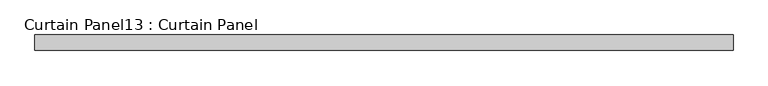
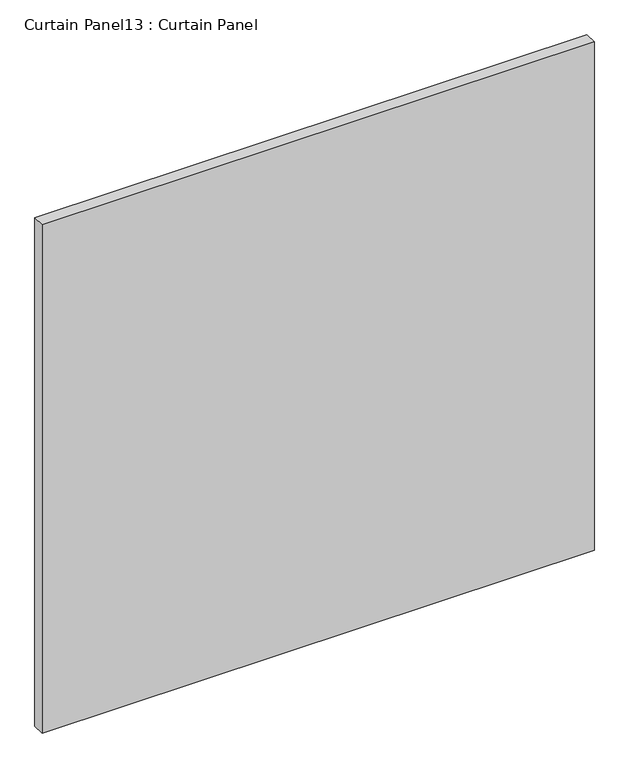
"""IFC4 building model written with IfcOpenShell, lengths in millimetres: plate geometry, Curtain Panel13 : Curtain Panel."""

import ifcopenshell
import ifcopenshell.guid

model = None  # the IFC model being written
_history = None  # IfcOwnerHistory: only IFC2X3 demands one
_inside = {}  # id of a spatial element -> (the spatial element, [elements in it])
_under = {}  # id of a project, library or spatial element -> (it, [spatial elements below it])
_declared = {}  # id of a project -> (the project, [libraries it declares])
_typed = {}  # id of a type object -> (the type object, [elements of that type])
_made_of = {}  # id of a material, layer set ... -> (it, [elements and type objects made of it])


def new_model(schema):
    """Start an empty IFC model of exactly this schema.

    Asked for "IFC4X3", IfcOpenShell would pick the latest addendum, in which some entities
    have other attributes; the version numbers below select the first issue.
    IFC2X3 requires an IfcOwnerHistory on every rooted entity: one is made here for all.
    """
    global model, _history
    if schema == "IFC4X3":
        model = ifcopenshell.file(schema_version=(4, 3, 0, 0))
    else:
        model = ifcopenshell.file(schema=schema)
    _inside.clear()
    _under.clear()
    _declared.clear()
    _typed.clear()
    _made_of.clear()
    _history = None
    if model.schema == "IFC2X3":
        org = make("IfcOrganization", Name="unknown")
        user = make(
            "IfcPersonAndOrganization",
            ThePerson=make("IfcPerson", FamilyName="unknown"),
            TheOrganization=org,
        )
        app = make(
            "IfcApplication",
            ApplicationDeveloper=org,
            Version="unknown",
            ApplicationFullName="unknown",
            ApplicationIdentifier="unknown",
        )
        _history = make(
            "IfcOwnerHistory",
            OwningUser=user,
            OwningApplication=app,
            ChangeAction="ADDED",
            CreationDate=0,
        )
    return model


def make(cls, **values):
    """One entity of the class cls with the attributes given. An attribute that is None is left unset."""
    return model.create_entity(
        cls, **{name: value for name, value in values.items() if value is not None}
    )


def rooted(cls, **values):
    """An entity with a GlobalId (a new one), such as an element, a storey or a relation."""
    return make(cls, GlobalId=ifcopenshell.guid.new(), OwnerHistory=_history, **values)


def si_unit(unit_type, name, prefix=None):
    """IfcSIUnit, for example si_unit("LENGTHUNIT", "METRE", prefix="MILLI")."""
    return make("IfcSIUnit", UnitType=unit_type, Prefix=prefix, Name=name)


def assignment(units):
    """IfcUnitAssignment: the units of a project."""
    return None if units is None else make("IfcUnitAssignment", Units=units)


def point(xyz):
    """IfcCartesianPoint."""
    return None if xyz is None else make("IfcCartesianPoint", Coordinates=xyz)


def direction(xyz):
    """IfcDirection."""
    return None if xyz is None else make("IfcDirection", DirectionRatios=xyz)


def frame(location, z_axis=None, x_axis=None):
    """IfcAxis2Placement3D, a coordinate frame: its origin and axes. An axis left out is left unset."""
    return make(
        "IfcAxis2Placement3D",
        Location=point(location),
        Axis=direction(z_axis),
        RefDirection=direction(x_axis),
    )


def origin():
    """The frame at (0, 0, 0) with its axes left unset."""
    return frame((0.0, 0.0, 0.0))


def place(relative_to, where):
    """IfcLocalPlacement: puts the frame where relative to a parent placement (None: the world)."""
    return make(
        "IfcLocalPlacement", PlacementRelTo=relative_to, RelativePlacement=where
    )


def context(
    kind, dimensions, precision=None, world=None, true_north=None, identifier=None
):
    """IfcGeometricRepresentationContext, for example the 3D "Model" context."""
    return make(
        "IfcGeometricRepresentationContext",
        ContextIdentifier=identifier,
        ContextType=kind,
        CoordinateSpaceDimension=dimensions,
        Precision=precision,
        WorldCoordinateSystem=world,
        TrueNorth=true_north,
    )


def project(units=None, contexts=None):
    """IfcProject with its units and contexts."""
    return rooted(
        "IfcProject",
        Name="project",
        RepresentationContexts=contexts,
        UnitsInContext=assignment(units),
    )


def spatial(cls, under=None, at=None, **own):
    """A site, building, storey or space (cls), placed at a placement, below another one or the project."""
    s = rooted(cls, ObjectPlacement=at, **own)
    if under is not None:
        _under.setdefault(under.id(), (under, []))[1].append(s)
    return s


def polyline(points):
    """IfcPolyline through the points."""
    return make("IfcPolyline", Points=[point(p) for p in points])


def outline(outer, holes=None, kind="AREA"):
    """IfcArbitraryClosedProfileDef: a profile drawn as a closed curve; with holes, ...WithVoids."""
    if holes is None:
        return make("IfcArbitraryClosedProfileDef", ProfileType=kind, OuterCurve=outer)
    return make(
        "IfcArbitraryProfileDefWithVoids",
        ProfileType=kind,
        OuterCurve=outer,
        InnerCurves=holes,
    )


def extrude(swept, where, along, depth):
    """IfcExtrudedAreaSolid: the profile swept, set in the frame where, extruded along a direction by depth."""
    return make(
        "IfcExtrudedAreaSolid",
        SweptArea=swept,
        Position=where,
        ExtrudedDirection=direction(along),
        Depth=depth,
    )


def shape(context_of_items, identifier, shape_type, items):
    """IfcShapeRepresentation: the items that make up one representation, for example the "Body"."""
    return make(
        "IfcShapeRepresentation",
        ContextOfItems=context_of_items,
        RepresentationIdentifier=identifier,
        RepresentationType=shape_type,
        Items=items,
    )


def source(mapping_origin, context_of_items, identifier, shape_type, items):
    """IfcRepresentationMap: a shape defined once, which mapped items show again and again."""
    return make(
        "IfcRepresentationMap",
        MappingOrigin=mapping_origin,
        MappedRepresentation=shape(context_of_items, identifier, shape_type, items),
    )


def transform(
    local_origin,
    x_axis=None,
    y_axis=None,
    z_axis=None,
    scale=None,
    scale2=None,
    scale3=None,
    uniform=True,
):
    """IfcCartesianTransformationOperator3D, or its non-uniform kind. x_axis, y_axis, z_axis: its Axis1, 2, 3."""
    if uniform:
        return make(
            "IfcCartesianTransformationOperator3D",
            Axis1=direction(x_axis),
            Axis2=direction(y_axis),
            LocalOrigin=point(local_origin),
            Scale=scale,
            Axis3=direction(z_axis),
        )
    return make(
        "IfcCartesianTransformationOperator3DnonUniform",
        Axis1=direction(x_axis),
        Axis2=direction(y_axis),
        LocalOrigin=point(local_origin),
        Scale=scale,
        Axis3=direction(z_axis),
        Scale2=scale2,
        Scale3=scale3,
    )


def mapped(mapping_source, mapping_target):
    """IfcMappedItem: shows the shape of a source again, moved by a transform."""
    return make(
        "IfcMappedItem", MappingSource=mapping_source, MappingTarget=mapping_target
    )


def made_of(thing, what):
    """Note that an element or type object is made of a material, layer set ...; save() writes the relation."""
    if what is not None:
        _made_of.setdefault(what.id(), (what, []))[1].append(thing)
    return thing


def element(
    cls,
    number,
    at=None,
    inside=None,
    cuts=None,
    type_object=None,
    material=None,
    context=None,
    identifier="Body",
    shape_type=None,
    held_by="IfcProductDefinitionShape",
    body=None,
    shapes=None,
    **own,
):
    """One element of the class cls, such as IfcWall. Its Tag is "e" and its number.

    at: its placement. inside: the storey or other place that contains it. cuts: it is an
    opening in that element (IfcRelVoidsElement). A single representation is given by context,
    identifier, shape_type and body (its items); several are given by shapes. held_by: the class
    of the entity that holds the representations. save() writes the other relations.
    """
    e = rooted(cls, Tag="e%d" % number, ObjectPlacement=at, **own)
    if body is not None:
        shapes = [shape(context, identifier, shape_type, body)]
    if shapes is not None:
        e.Representation = make(held_by, Representations=shapes)
    if inside is not None:
        _inside.setdefault(inside.id(), (inside, []))[1].append(e)
    if cuts is not None:
        rooted(
            "IfcRelVoidsElement", RelatingBuildingElement=cuts, RelatedOpeningElement=e
        )
    if type_object is not None:
        _typed.setdefault(type_object.id(), (type_object, []))[1].append(e)
    return made_of(e, material)


def aggregate(whole, parts):
    """IfcRelAggregates: a whole, such as a stair, and the parts it consists of."""
    return rooted("IfcRelAggregates", RelatingObject=whole, RelatedObjects=parts)


def save(model, path):
    """Write the relations noted so far, then the file.

    IfcRelAggregates (storeys below a building ...), IfcRelContainedInSpatialStructure (elements
    in a storey), IfcRelDefinesByType, IfcRelAssociatesMaterial and IfcRelDeclares: one each for
    every whole, place, type object, material and project.
    """
    for whole, parts in _under.values():
        aggregate(whole, parts)
    for where, things in _inside.values():
        rooted(
            "IfcRelContainedInSpatialStructure",
            RelatedElements=things,
            RelatingStructure=where,
        )
    for kind, things in _typed.values():
        rooted("IfcRelDefinesByType", RelatedObjects=things, RelatingType=kind)
    for what, things in _made_of.values():
        rooted("IfcRelAssociatesMaterial", RelatedObjects=things, RelatingMaterial=what)
    for by, libraries in _declared.values():
        rooted("IfcRelDeclares", RelatingContext=by, RelatedDefinitions=libraries)
    model.write(path)


def curtain_panel13_curtain_panel_b1770a2b(model_context):
    return source(origin(), model_context, "Body", "SweptSolid", [
        extrude(outline(polyline([(-410185.9652248, 7226.1665558), (-411325.1946858, 7226.1665558), (-411325.1946858, 7251.5665558), (-410185.9652248, 7251.5665558), (-410185.9652248, 7226.1665558)])), frame((0.0, 0.0, 2447.9251132), z_axis=(0.0, 0.0, 1.0), x_axis=(1.0, 0.0, 0.0)), (0.0, 0.0, 1.0), 1107.5851068),
    ])


if __name__ == "__main__":
    model = new_model("IFC4")
    model_context = context("Model", 3, world=origin())
    ifc_project = project(units=[si_unit("LENGTHUNIT", "METRE", prefix="MILLI")], contexts=[model_context])
    site = spatial("IfcSite", under=ifc_project)
    building = spatial("IfcBuilding", under=site)
    placement = place(None, origin())
    curtain_panel13_curtain_panel_shape = curtain_panel13_curtain_panel_b1770a2b(model_context)
    element("IfcPlate", 1, ObjectType="Curtain Panel13 : Curtain Panel", at=placement, inside=building, context=model_context, shape_type="MappedRepresentation", body=[
        mapped(curtain_panel13_curtain_panel_shape, transform((0.0, 0.0, 0.0), x_axis=(1.0, 0.0, 0.0), y_axis=(0.0, 1.0, 0.0), z_axis=(0.0, 0.0, 1.0))),
    ])
    save(model, "model.ifc")
